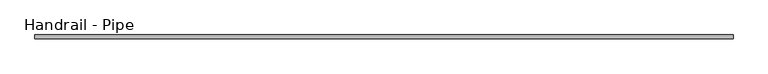
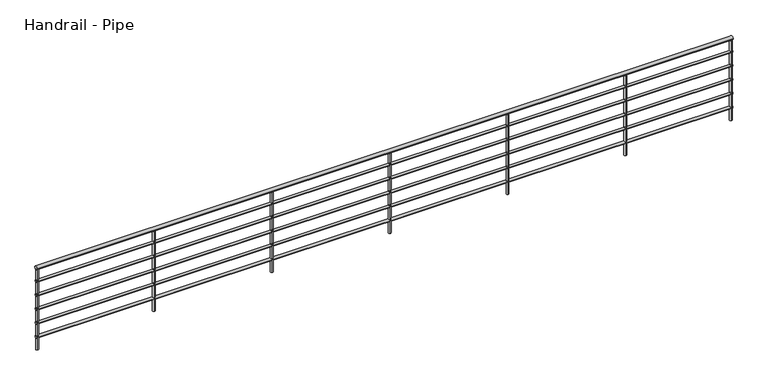
"""IFC4 building model written with IfcOpenShell, lengths in millimetres: railing geometry, Handrail - Pipe."""

from ifc_helpers import new_model, si_unit, point, frame, frame_2d, origin, origin_with_axes, place, context, project, spatial, circle_curve, trimmed, segment, composite_curve, outline, extrude, source, transform, mapped, element, save


def handrail_pipe_7325e7e4(model_context):
    return source(origin(), model_context, "Body", "SweptSolid", [
        extrude(outline(composite_curve([segment(trimmed(circle_curve(frame_2d((1896.7062192, 895.35)), 19.05), [point((1915.7562192, 895.35))], [point((1877.6562192, 895.35))], False, "CARTESIAN"), True, "CONTINUOUS"), segment(trimmed(circle_curve(frame_2d((1896.7062192, 895.35)), 19.05), [point((1877.6562192, 895.35))], [point((1915.7562192, 895.35))], False, "CARTESIAN"), True, "CONTINUOUS")], self_intersect=False)), frame((-8858.2013164, 0.0, 0.0), z_axis=(1.0, 0.0, 0.0), x_axis=(0.0, 1.0, 0.0)), (0.0, 0.0, 1.0), 7199.6158674),
        extrude(outline(composite_curve([segment(trimmed(circle_curve(frame_2d((1896.7062192, 749.3)), 12.7), [point((1909.4062192, 749.3))], [point((1884.0062192, 749.3))], False, "CARTESIAN"), True, "CONTINUOUS"), segment(trimmed(circle_curve(frame_2d((1896.7062192, 749.3)), 12.7), [point((1884.0062192, 749.3))], [point((1909.4062192, 749.3))], False, "CARTESIAN"), True, "CONTINUOUS")], self_intersect=False)), frame((-8858.2013164, 0.0, 0.0), z_axis=(1.0, 0.0, 0.0), x_axis=(0.0, 1.0, 0.0)), (0.0, 0.0, 1.0), 7199.6158674),
        extrude(outline(composite_curve([segment(trimmed(circle_curve(frame_2d((1896.7062192, 596.9)), 12.7), [point((1909.4062192, 596.9))], [point((1884.0062192, 596.9))], False, "CARTESIAN"), True, "CONTINUOUS"), segment(trimmed(circle_curve(frame_2d((1896.7062192, 596.9)), 12.7), [point((1884.0062192, 596.9))], [point((1909.4062192, 596.9))], False, "CARTESIAN"), True, "CONTINUOUS")], self_intersect=False)), frame((-8858.2013164, 0.0, 0.0), z_axis=(1.0, 0.0, 0.0), x_axis=(0.0, 1.0, 0.0)), (0.0, 0.0, 1.0), 7199.6158674),
        extrude(outline(composite_curve([segment(trimmed(circle_curve(frame_2d((1896.7062192, 444.5)), 12.7), [point((1909.4062192, 444.5))], [point((1884.0062192, 444.5))], False, "CARTESIAN"), True, "CONTINUOUS"), segment(trimmed(circle_curve(frame_2d((1896.7062192, 444.5)), 12.7), [point((1884.0062192, 444.5))], [point((1909.4062192, 444.5))], False, "CARTESIAN"), True, "CONTINUOUS")], self_intersect=False)), frame((-8858.2013164, 0.0, 0.0), z_axis=(1.0, 0.0, 0.0), x_axis=(0.0, 1.0, 0.0)), (0.0, 0.0, 1.0), 7199.6158674),
        extrude(outline(composite_curve([segment(trimmed(circle_curve(frame_2d((1896.7062192, 292.1)), 12.7), [point((1909.4062192, 292.1))], [point((1884.0062192, 292.1))], False, "CARTESIAN"), True, "CONTINUOUS"), segment(trimmed(circle_curve(frame_2d((1896.7062192, 292.1)), 12.7), [point((1884.0062192, 292.1))], [point((1909.4062192, 292.1))], False, "CARTESIAN"), True, "CONTINUOUS")], self_intersect=False)), frame((-8858.2013164, 0.0, 0.0), z_axis=(1.0, 0.0, 0.0), x_axis=(0.0, 1.0, 0.0)), (0.0, 0.0, 1.0), 7199.6158674),
        extrude(outline(composite_curve([segment(trimmed(circle_curve(frame_2d((1896.7062192, 139.7)), 12.7), [point((1909.4062192, 139.7))], [point((1884.0062192, 139.7))], False, "CARTESIAN"), True, "CONTINUOUS"), segment(trimmed(circle_curve(frame_2d((1896.7062192, 139.7)), 12.7), [point((1884.0062192, 139.7))], [point((1909.4062192, 139.7))], False, "CARTESIAN"), True, "CONTINUOUS")], self_intersect=False)), frame((-8858.2013164, 0.0, 0.0), z_axis=(1.0, 0.0, 0.0), x_axis=(0.0, 1.0, 0.0)), (0.0, 0.0, 1.0), 7199.6158674),
        extrude(outline(composite_curve([segment(trimmed(circle_curve(frame_2d((-2762.2013164, 1896.7062192)), 12.7), [point((-2762.2013164, 1909.4062192))], [point((-2762.2013164, 1884.0062192))], False, "CARTESIAN"), True, "CONTINUOUS"), segment(trimmed(circle_curve(frame_2d((-2762.2013164, 1896.7062192)), 12.7), [point((-2762.2013164, 1884.0062192))], [point((-2762.2013164, 1909.4062192))], False, "CARTESIAN"), True, "CONTINUOUS")], self_intersect=False)), origin_with_axes(), (0.0, 0.0, 1.0), 876.3),
        extrude(outline(composite_curve([segment(trimmed(circle_curve(frame_2d((-3981.4013164, 1896.7062192)), 12.7), [point((-3981.4013164, 1909.4062192))], [point((-3981.4013164, 1884.0062192))], False, "CARTESIAN"), True, "CONTINUOUS"), segment(trimmed(circle_curve(frame_2d((-3981.4013164, 1896.7062192)), 12.7), [point((-3981.4013164, 1884.0062192))], [point((-3981.4013164, 1909.4062192))], False, "CARTESIAN"), True, "CONTINUOUS")], self_intersect=False)), origin_with_axes(), (0.0, 0.0, 1.0), 876.3),
        extrude(outline(composite_curve([segment(trimmed(circle_curve(frame_2d((-5200.6013164, 1896.7062192)), 12.7), [point((-5200.6013164, 1909.4062192))], [point((-5200.6013164, 1884.0062192))], False, "CARTESIAN"), True, "CONTINUOUS"), segment(trimmed(circle_curve(frame_2d((-5200.6013164, 1896.7062192)), 12.7), [point((-5200.6013164, 1884.0062192))], [point((-5200.6013164, 1909.4062192))], False, "CARTESIAN"), True, "CONTINUOUS")], self_intersect=False)), origin_with_axes(), (0.0, 0.0, 1.0), 876.3),
        extrude(outline(composite_curve([segment(trimmed(circle_curve(frame_2d((-6419.8013164, 1896.7062192)), 12.7), [point((-6419.8013164, 1909.4062192))], [point((-6419.8013164, 1884.0062192))], False, "CARTESIAN"), True, "CONTINUOUS"), segment(trimmed(circle_curve(frame_2d((-6419.8013164, 1896.7062192)), 12.7), [point((-6419.8013164, 1884.0062192))], [point((-6419.8013164, 1909.4062192))], False, "CARTESIAN"), True, "CONTINUOUS")], self_intersect=False)), origin_with_axes(), (0.0, 0.0, 1.0), 876.3),
        extrude(outline(composite_curve([segment(trimmed(circle_curve(frame_2d((-7639.0013164, 1896.7062192)), 12.7), [point((-7639.0013164, 1909.4062192))], [point((-7639.0013164, 1884.0062192))], False, "CARTESIAN"), True, "CONTINUOUS"), segment(trimmed(circle_curve(frame_2d((-7639.0013164, 1896.7062192)), 12.7), [point((-7639.0013164, 1884.0062192))], [point((-7639.0013164, 1909.4062192))], False, "CARTESIAN"), True, "CONTINUOUS")], self_intersect=False)), origin_with_axes(), (0.0, 0.0, 1.0), 876.3),
        extrude(outline(composite_curve([segment(trimmed(circle_curve(frame_2d((-1671.2854491, 1896.7062192)), 12.7), [point((-1671.2854491, 1909.4062192))], [point((-1671.2854491, 1884.0062192))], False, "CARTESIAN"), True, "CONTINUOUS"), segment(trimmed(circle_curve(frame_2d((-1671.2854491, 1896.7062192)), 12.7), [point((-1671.2854491, 1884.0062192))], [point((-1671.2854491, 1909.4062192))], False, "CARTESIAN"), True, "CONTINUOUS")], self_intersect=False)), origin_with_axes(), (0.0, 0.0, 1.0), 876.3),
        extrude(outline(composite_curve([segment(trimmed(circle_curve(frame_2d((-8845.5013164, 1896.7062192)), 12.7), [point((-8845.5013164, 1909.4062192))], [point((-8845.5013164, 1884.0062192))], False, "CARTESIAN"), True, "CONTINUOUS"), segment(trimmed(circle_curve(frame_2d((-8845.5013164, 1896.7062192)), 12.7), [point((-8845.5013164, 1884.0062192))], [point((-8845.5013164, 1909.4062192))], False, "CARTESIAN"), True, "CONTINUOUS")], self_intersect=False)), origin_with_axes(), (0.0, 0.0, 1.0), 876.3),
    ])


if __name__ == "__main__":
    model = new_model("IFC4")
    model_context = context("Model", 3, world=origin())
    ifc_project = project(units=[si_unit("LENGTHUNIT", "METRE", prefix="MILLI")], contexts=[model_context])
    site = spatial("IfcSite", under=ifc_project)
    building = spatial("IfcBuilding", under=site)
    placement = place(None, origin())
    handrail_pipe_shape = handrail_pipe_7325e7e4(model_context)
    element("IfcRailing", 1, ObjectType="Handrail - Pipe", at=placement, inside=building, context=model_context, shape_type="MappedRepresentation", body=[
        mapped(handrail_pipe_shape, transform((0.0, 0.0, 0.0), x_axis=(1.0, 0.0, 0.0), y_axis=(0.0, 1.0, 0.0), z_axis=(0.0, 0.0, 1.0))),
    ])
    save(model, "model.ifc")
